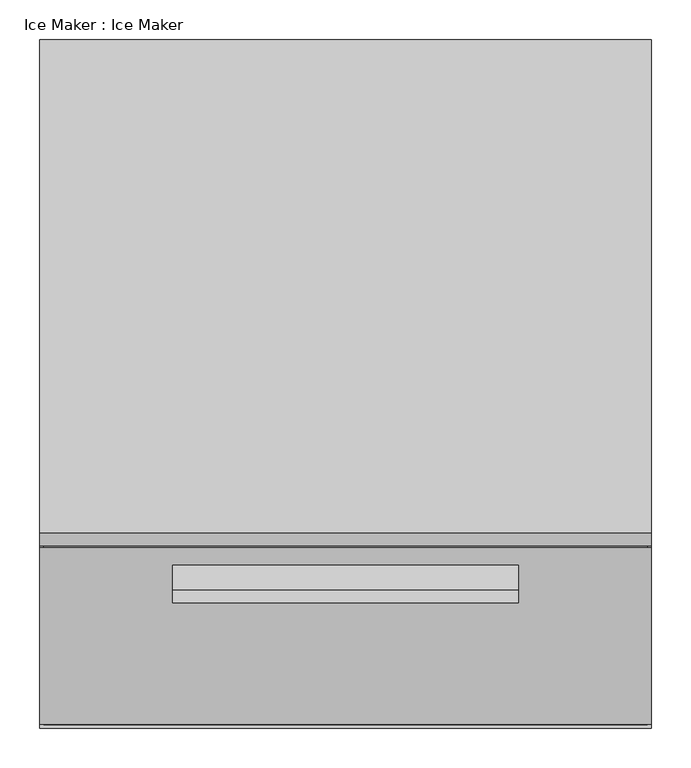
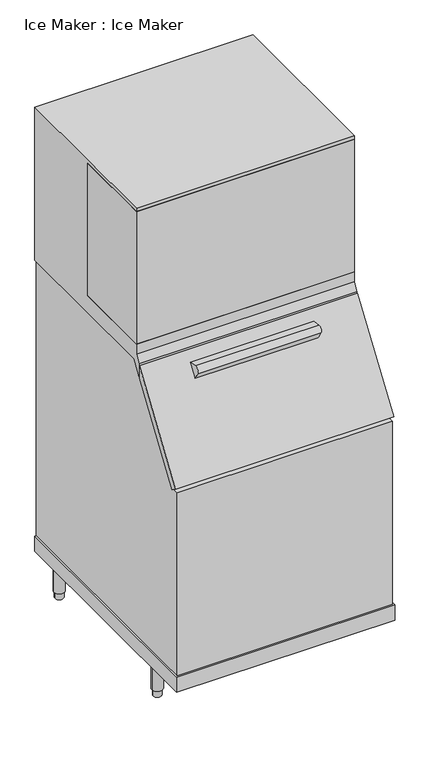
"""IFC4 building model written with IfcOpenShell, lengths in millimetres: proxy geometry, Ice Maker : Ice Maker."""

from ifc_helpers import new_model, si_unit, point, frame, frame_2d, origin, place, context, project, spatial, polyline, circle_curve, trimmed, segment, composite_curve, outline, extrude, faceted_brep, source, transform, mapped, element, save
from ifc_brep_helpers import plane_surface, cylinder_surface, advanced_brep


def ice_maker_ice_maker_585e8420(model_context):
    return source(origin(), model_context, "Body", "SolidModel", [
        extrude(outline(composite_curve([segment(polyline([(-694.4242392, 1207.9599555), (-663.1154835, 1203.1888099), (-692.4049387, 1160.1702339), (-708.3451643, 1187.4697615)]), True, "CONTINUOUS"), segment(trimmed(circle_curve(frame_2d((-696.4920427, 1194.3908128)), 13.7257948), [point((-708.3451643, 1187.4697615))], [point((-694.4242392, 1207.9599555))], False, "CARTESIAN"), True, "CONTINUOUS")], self_intersect=False)), frame((-218.3235427, 0.0, 0.0), z_axis=(1.0, 0.0, 0.0), x_axis=(0.0, 1.0, 0.0)), (0.0, 0.0, 1.0), 436.5625009),
        advanced_brep(
        [(-380.9999997, -864.0681907, 893.9910713), (380.9999952, -864.0681911, 893.9910713), (380.9999952, -841.6651476, 893.9910713), (-380.9999997, -841.6651476, 893.9910713), (380.9999952, 0.0, 209.55), (380.9999952, -864.0681911, 209.55), (-380.9999997, -864.0681907, 209.55), (-380.9999997, 0.0, 209.55), (-380.9999997, 0.0, 1241.4249516), (380.9999952, 0.0, 1241.4249516), (-380.9999997, -638.2780933, 1192.7137213), (-380.9999997, -607.7742757, 1241.4249516), (380.9999952, -607.7742757, 1241.4249516), (380.9999952, -638.2780933, 1192.7137213)],
        [
            (0, 1, circle_curve(frame((0.0, 3279.522776, 893.9910713), z_axis=(0.0, 0.0, 1.0), x_axis=(1.0, 0.0, 0.0)), 4161.0704271)),
            (1, 2),
            (2, 3),
            (3, 0),
            (4, 5),
            (5, 6, circle_curve(frame((0.0, 3279.522776, 209.55), z_axis=(0.0, 0.0, -1.0), x_axis=(1.0, 0.0, 0.0)), 4161.0704271)),
            (6, 7),
            (7, 4),
            (7, 8),
            (8, 9),
            (9, 4),
            (6, 0),
            (3, 10),
            (10, 11),
            (11, 8),
            (5, 1),
            (9, 12),
            (12, 13),
            (13, 2),
            (13, 10),
            (12, 11),
        ],
        [
            plane_surface(frame((-380.9999997, 0.0, 893.9910713), z_axis=(0.0, 0.0, 1.0), x_axis=(-1.0, 0.0, 0.0))),
            plane_surface(frame((-380.9999997, 0.0, 209.55), z_axis=(0.0, 0.0, -1.0), x_axis=(1.0, 0.0, 0.0))),
            plane_surface(frame((380.9999952, 0.0, 893.9910713), z_axis=(0.0, 1.0, 0.0), x_axis=(0.0, 0.0, -1.0))),
            plane_surface(frame((-380.9999997, 0.0, 893.9910713), z_axis=(-1.0, 0.0, 0.0), x_axis=(0.0, 0.0, -1.0))),
            cylinder_surface(frame((0.0, 3279.522776, 209.55), z_axis=(0.0, 0.0, 1.0), x_axis=(1.0, 0.0, 0.0)), 4161.0704271),
            plane_surface(frame((380.9999952, -864.0681911, 893.9910713), z_axis=(1.0, 0.0, 0.0), x_axis=(0.0, 0.0, -1.0))),
            plane_surface(frame((-380.9999997, -841.6651476, 893.9910713), z_axis=(0.0, -0.8265974191949679, 0.5627936625267013), x_axis=(1.0, 0.0, 0.0))),
            plane_surface(frame((-380.9999997, -638.2780933, 1192.7137213), z_axis=(0.0, -0.8475342731256359, 0.5307406672541686), x_axis=(1.0, 0.0, 0.0))),
            plane_surface(frame((-380.9999997, -607.7742757, 1241.4249516), z_axis=(0.0, 0.0, 1.0), x_axis=(1.0, 0.0, 0.0))),
        ],
        [
            (0, [[1, 2, 3, 4]]),
            (1, [[5, 6, 7, 8]]),
            (2, [[-8, 9, 10, 11]]),
            (3, [[-7, 12, -4, 13, 14, 15, -9]]),
            (4, [[-1, -12, -6, 16]]),
            (5, [[-5, -11, 17, 18, 19, -2, -16]]),
            (6, [[-13, -3, -19, 20]]),
            (7, [[-14, -20, -18, 21]]),
            (8, [[-15, -21, -17, -10]]),
        ],
    ),
        faceted_brep([(-386.08, -323.85, 1800.225), (-386.08, -622.3, 1800.225), (386.0799903, -622.3, 1800.225), (386.0799903, -323.85, 1800.225), (-386.08, -323.85, 1304.925), (386.0799903, -323.85, 1304.925), (386.0799903, -622.3, 1304.925), (-386.08, -622.3, 1304.925)], [[[0, 1, 2, 3]], [[4, 5, 6, 7]], [[1, 0, 4, 7]], [[2, 1, 7, 6]], [[3, 2, 6, 5]], [[0, 3, 5, 4]]]),
        advanced_brep(
        [(-349.3527446, -60.1243029, 0.0), (-320.0195696, -60.1243029, 0.0), (319.9398283, -60.1243029, 0.0), (349.2730033, -60.1243029, 0.0), (319.9398283, -661.1887684, 0.0), (349.2730033, -661.1887684, 0.0), (-349.3527446, -661.1887684, 0.0), (-320.0195696, -661.1887684, 0.0), (-320.0195696, -60.1243029, 25.4000008), (-349.3527446, -60.1243029, 25.4000008), (349.2730033, -60.1243029, 25.4000008), (319.9398283, -60.1243029, 25.4000008), (349.2730033, -661.1887684, 25.4000008), (319.9398283, -661.1887684, 25.4000008), (-320.0195696, -661.1887684, 25.4000008), (-349.3527446, -661.1887684, 25.4000008), (-353.7527213, -661.1887684, 25.4000008), (-315.6195929, -661.1887684, 25.4000008), (-353.7527213, -60.1243029, 25.4000008), (-315.6195929, -60.1243029, 25.4000008), (315.5398516, -60.1243029, 25.4000008), (353.67298, -60.1243029, 25.4000008), (315.5398516, -661.1887684, 25.4000008), (353.67298, -661.1887684, 25.4000008), (-315.6195929, -661.1887684, 152.4), (-353.7527213, -661.1887684, 152.4), (-315.6195929, -60.1243029, 152.4), (-353.7527213, -60.1243029, 152.4), (353.67298, -60.1243029, 152.4), (315.5398516, -60.1243029, 152.4), (353.67298, -661.1887684, 152.4), (315.5398516, -661.1887684, 152.4), (386.08, 0.0, 209.55), (-386.08, 0.0, 209.55), (-386.08, -868.68, 209.55), (386.08, -868.68, 209.55), (386.08, 0.0, 152.4), (386.08, -868.68, 152.4), (-386.08, -868.68, 152.4), (-386.08, 0.0, 152.4)],
        [
            (0, 1, circle_curve(frame((-334.6861571, -60.1243029, 0.0), z_axis=(0.0, 0.0, -1.0), x_axis=(1.0, 0.0, 0.0)), 14.6665875)),
            (1, 0, circle_curve(frame((-334.6861571, -60.1243029, 0.0), z_axis=(0.0, 0.0, -1.0), x_axis=(1.0, 0.0, 0.0)), 14.6665875)),
            (2, 3, circle_curve(frame((334.6064158, -60.1243029, 0.0), z_axis=(0.0, 0.0, -1.0), x_axis=(1.0, 0.0, 0.0)), 14.6665875)),
            (3, 2, circle_curve(frame((334.6064158, -60.1243029, 0.0), z_axis=(0.0, 0.0, -1.0), x_axis=(1.0, 0.0, 0.0)), 14.6665875)),
            (4, 5, circle_curve(frame((334.6064158, -661.1887684, 0.0), z_axis=(0.0, 0.0, -1.0), x_axis=(1.0, 0.0, 0.0)), 14.6665875)),
            (5, 4, circle_curve(frame((334.6064158, -661.1887684, 0.0), z_axis=(0.0, 0.0, -1.0), x_axis=(1.0, 0.0, 0.0)), 14.6665875)),
            (6, 7, circle_curve(frame((-334.6861571, -661.1887684, 0.0), z_axis=(0.0, 0.0, -1.0), x_axis=(1.0, 0.0, 0.0)), 14.6665875)),
            (7, 6, circle_curve(frame((-334.6861571, -661.1887684, 0.0), z_axis=(0.0, 0.0, -1.0), x_axis=(1.0, 0.0, 0.0)), 14.6665875)),
            (1, 8),
            (8, 9, circle_curve(frame((-334.6861571, -60.1243029, 25.4000008), z_axis=(0.0, 0.0, -1.0), x_axis=(1.0, 0.0, 0.0)), 14.6665875)),
            (9, 0),
            (9, 8, circle_curve(frame((-334.6861571, -60.1243029, 25.4000008), z_axis=(0.0, 0.0, -1.0), x_axis=(1.0, 0.0, 0.0)), 14.6665875)),
            (3, 10),
            (10, 11, circle_curve(frame((334.6064158, -60.1243029, 25.4000008), z_axis=(0.0, 0.0, -1.0), x_axis=(1.0, 0.0, 0.0)), 14.6665875)),
            (11, 2),
            (11, 10, circle_curve(frame((334.6064158, -60.1243029, 25.4000008), z_axis=(0.0, 0.0, -1.0), x_axis=(1.0, 0.0, 0.0)), 14.6665875)),
            (5, 12),
            (12, 13, circle_curve(frame((334.6064158, -661.1887684, 25.4000008), z_axis=(0.0, 0.0, -1.0), x_axis=(1.0, 0.0, 0.0)), 14.6665875)),
            (13, 4),
            (13, 12, circle_curve(frame((334.6064158, -661.1887684, 25.4000008), z_axis=(0.0, 0.0, -1.0), x_axis=(1.0, 0.0, 0.0)), 14.6665875)),
            (7, 14),
            (14, 15, circle_curve(frame((-334.6861571, -661.1887684, 25.4000008), z_axis=(0.0, 0.0, -1.0), x_axis=(1.0, 0.0, 0.0)), 14.6665875)),
            (15, 6),
            (15, 14, circle_curve(frame((-334.6861571, -661.1887684, 25.4000008), z_axis=(0.0, 0.0, -1.0), x_axis=(1.0, 0.0, 0.0)), 14.6665875)),
            (16, 17, circle_curve(frame((-334.6861571, -661.1887684, 25.4000008), z_axis=(0.0, 0.0, -1.0), x_axis=(1.0, 0.0, 0.0)), 19.0665642)),
            (17, 16, circle_curve(frame((-334.6861571, -661.1887684, 25.4000008), z_axis=(0.0, 0.0, -1.0), x_axis=(1.0, 0.0, 0.0)), 19.0665642)),
            (18, 19, circle_curve(frame((-334.6861571, -60.1243029, 25.4000008), z_axis=(0.0, 0.0, -1.0), x_axis=(1.0, 0.0, 0.0)), 19.0665642)),
            (19, 18, circle_curve(frame((-334.6861571, -60.1243029, 25.4000008), z_axis=(0.0, 0.0, -1.0), x_axis=(1.0, 0.0, 0.0)), 19.0665642)),
            (20, 21, circle_curve(frame((334.6064158, -60.1243029, 25.4000008), z_axis=(0.0, 0.0, -1.0), x_axis=(1.0, 0.0, 0.0)), 19.0665642)),
            (21, 20, circle_curve(frame((334.6064158, -60.1243029, 25.4000008), z_axis=(0.0, 0.0, -1.0), x_axis=(1.0, 0.0, 0.0)), 19.0665642)),
            (22, 23, circle_curve(frame((334.6064158, -661.1887684, 25.4000008), z_axis=(0.0, 0.0, -1.0), x_axis=(1.0, 0.0, 0.0)), 19.0665642)),
            (23, 22, circle_curve(frame((334.6064158, -661.1887684, 25.4000008), z_axis=(0.0, 0.0, -1.0), x_axis=(1.0, 0.0, 0.0)), 19.0665642)),
            (17, 24),
            (24, 25, circle_curve(frame((-334.6861571, -661.1887684, 152.4), z_axis=(0.0, 0.0, -1.0), x_axis=(1.0, 0.0, 0.0)), 19.0665642)),
            (25, 16),
            (25, 24, circle_curve(frame((-334.6861571, -661.1887684, 152.4), z_axis=(0.0, 0.0, -1.0), x_axis=(1.0, 0.0, 0.0)), 19.0665642)),
            (19, 26),
            (26, 27, circle_curve(frame((-334.6861571, -60.1243029, 152.4), z_axis=(0.0, 0.0, -1.0), x_axis=(1.0, 0.0, 0.0)), 19.0665642)),
            (27, 18),
            (27, 26, circle_curve(frame((-334.6861571, -60.1243029, 152.4), z_axis=(0.0, 0.0, -1.0), x_axis=(1.0, 0.0, 0.0)), 19.0665642)),
            (21, 28),
            (28, 29, circle_curve(frame((334.6064158, -60.1243029, 152.4), z_axis=(0.0, 0.0, -1.0), x_axis=(1.0, 0.0, 0.0)), 19.0665642)),
            (29, 20),
            (29, 28, circle_curve(frame((334.6064158, -60.1243029, 152.4), z_axis=(0.0, 0.0, -1.0), x_axis=(1.0, 0.0, 0.0)), 19.0665642)),
            (23, 30),
            (30, 31, circle_curve(frame((334.6064158, -661.1887684, 152.4), z_axis=(0.0, 0.0, -1.0), x_axis=(1.0, 0.0, 0.0)), 19.0665642)),
            (31, 22),
            (31, 30, circle_curve(frame((334.6064158, -661.1887684, 152.4), z_axis=(0.0, 0.0, -1.0), x_axis=(1.0, 0.0, 0.0)), 19.0665642)),
            (32, 33),
            (33, 34),
            (34, 35, circle_curve(frame((0.0, 3279.522776, 209.55), z_axis=(0.0, 0.0, 1.0), x_axis=(1.0, 0.0, 0.0)), 4166.1305833)),
            (35, 32),
            (36, 37),
            (37, 38, circle_curve(frame((0.0, 3279.522776, 152.4), z_axis=(0.0, 0.0, -1.0), x_axis=(1.0, 0.0, 0.0)), 4166.1305833)),
            (38, 39),
            (39, 36),
            (32, 36),
            (39, 33),
            (38, 34),
            (37, 35),
        ],
        [
            plane_surface(frame((-320.0195696, -60.1243029, 0.0), z_axis=(0.0, 0.0, -1.0), x_axis=(0.0, -1.0, 0.0))),
            cylinder_surface(frame((-334.6861571, -60.1243029, 0.0), z_axis=(0.0, 0.0, 1.0), x_axis=(1.0, 0.0, 0.0)), 14.6665875),
            cylinder_surface(frame((334.6064158, -60.1243029, 0.0), z_axis=(0.0, 0.0, 1.0), x_axis=(1.0, 0.0, 0.0)), 14.6665875),
            cylinder_surface(frame((334.6064158, -661.1887684, 0.0), z_axis=(0.0, 0.0, 1.0), x_axis=(1.0, 0.0, 0.0)), 14.6665875),
            cylinder_surface(frame((-334.6861571, -661.1887684, 0.0), z_axis=(0.0, 0.0, 1.0), x_axis=(1.0, 0.0, 0.0)), 14.6665875),
            plane_surface(frame((-315.6195929, -661.1887684, 25.4000008), z_axis=(0.0, 0.0, -1.0), x_axis=(0.0, -1.0, 0.0))),
            cylinder_surface(frame((-334.6861571, -661.1887684, 25.4000008), z_axis=(0.0, 0.0, 1.0), x_axis=(1.0, 0.0, 0.0)), 19.0665642),
            cylinder_surface(frame((-334.6861571, -60.1243029, 0.0), z_axis=(0.0, 0.0, 1.0), x_axis=(1.0, 0.0, 0.0)), 19.0665642),
            cylinder_surface(frame((334.6064158, -60.1243029, 0.0), z_axis=(0.0, 0.0, 1.0), x_axis=(1.0, 0.0, 0.0)), 19.0665642),
            cylinder_surface(frame((334.6064158, -661.1887684, 0.0), z_axis=(0.0, 0.0, 1.0), x_axis=(1.0, 0.0, 0.0)), 19.0665642),
            plane_surface(frame((-380.9999997, 0.0, 209.55), z_axis=(0.0, 0.0, 1.0), x_axis=(-1.0, 0.0, 0.0))),
            plane_surface(frame((-380.9999997, 0.0, 152.4), z_axis=(0.0, 0.0, -1.0), x_axis=(1.0, 0.0, 0.0))),
            plane_surface(frame((386.08, 0.0, 209.55), z_axis=(0.0, 1.0, 0.0), x_axis=(0.0, 0.0, -1.0))),
            plane_surface(frame((-386.08, 0.0, 209.55), z_axis=(-1.0, 0.0, 0.0), x_axis=(0.0, 0.0, -1.0))),
            cylinder_surface(frame((0.0, 3279.522776, 152.4), z_axis=(0.0, 0.0, 1.0), x_axis=(1.0, 0.0, 0.0)), 4166.1305833),
            plane_surface(frame((386.08, -868.68, 209.55), z_axis=(1.0, 0.0, 0.0), x_axis=(0.0, 0.0, -1.0))),
        ],
        [
            (0, [[1, 2]]),
            (0, [[3, 4]]),
            (0, [[5, 6]]),
            (0, [[7, 8]]),
            (1, [[-2, 9, 10, 11]]),
            (1, [[-1, -11, 12, -9]]),
            (2, [[-4, 13, 14, 15]]),
            (2, [[-3, -15, 16, -13]]),
            (3, [[-6, 17, 18, 19]]),
            (3, [[-5, -19, 20, -17]]),
            (4, [[-8, 21, 22, 23]]),
            (4, [[-7, -23, 24, -21]]),
            (5, [[25, 26], [-22, -24]]),
            (5, [[27, 28], [-10, -12]]),
            (5, [[29, 30], [-14, -16]]),
            (5, [[31, 32], [-18, -20]]),
            (6, [[-26, 33, 34, 35]]),
            (6, [[-25, -35, 36, -33]]),
            (7, [[-28, 37, 38, 39]]),
            (7, [[-27, -39, 40, -37]]),
            (8, [[-30, 41, 42, 43]]),
            (8, [[-29, -43, 44, -41]]),
            (9, [[-32, 45, 46, 47]]),
            (9, [[-31, -47, 48, -45]]),
            (10, [[49, 50, 51, 52]]),
            (11, [[53, 54, 55, 56], [-34, -36], [-38, -40], [-42, -44], [-46, -48]]),
            (12, [[-49, 57, -56, 58]]),
            (13, [[-50, -58, -55, 59]]),
            (14, [[-51, -59, -54, 60]]),
            (15, [[-52, -60, -53, -57]]),
        ],
    ),
        faceted_brep([(-386.08, -841.6651476, 893.9910713), (-386.08, -863.5999923, 908.729319), (-386.08, -640.7951889, 1235.9715054), (-386.08, -640.7951889, 1189.0167629), (386.0799903, -841.6651476, 893.9910713), (386.0799903, -640.7951889, 1189.0167629), (386.0799903, -640.7951889, 1235.9715054), (386.0799903, -863.5999923, 908.729319)], [[[0, 1, 2, 3]], [[4, 5, 6, 7]], [[1, 0, 4, 7]], [[2, 1, 7, 6]], [[3, 2, 6, 5]], [[0, 3, 5, 4]]]),
        faceted_brep([(-386.08, 0.0, 1241.4249516), (-386.08, -607.7742757, 1241.4249516), (-386.08, -638.2781187, 1192.7136806), (-386.08, -638.2781187, 1240.1705493), (-386.08, -622.3, 1266.825), (-386.08, -622.3, 1304.925), (-386.08, -323.85, 1304.925), (-386.08, -323.85, 1800.225), (-386.08, -622.3, 1800.225), (-386.08, -622.3, 1812.9249516), (-386.08, 0.0, 1812.9249516), (386.0799903, -622.3, 1266.825), (386.0799903, -638.2781187, 1240.1705493), (386.0799903, -638.2781187, 1192.7136806), (386.0799903, -607.7742757, 1241.4249516), (386.0799903, 0.0, 1241.4249516), (386.0799903, 0.0, 1812.9249516), (386.0799903, -622.3, 1812.9249516), (386.0799903, -622.3, 1800.225), (386.0799903, -323.85, 1800.225), (386.0799903, -323.85, 1304.925), (386.0799903, -622.3, 1304.925)], [[[0, 1, 2, 3, 4, 5, 6, 7, 8, 9, 10]], [[11, 12, 13, 14, 15, 16, 17, 18, 19, 20, 21]], [[15, 0, 10, 16]], [[1, 0, 15, 14]], [[2, 1, 14, 13]], [[3, 2, 13, 12]], [[4, 3, 12, 11]], [[5, 21, 20, 6]], [[21, 5, 4, 11]], [[17, 16, 10, 9]], [[6, 20, 19, 7]], [[19, 18, 8, 7]], [[17, 9, 8, 18]]]),
    ])


if __name__ == "__main__":
    model = new_model("IFC4")
    model_context = context("Model", 3, world=origin())
    ifc_project = project(units=[si_unit("LENGTHUNIT", "METRE", prefix="MILLI")], contexts=[model_context])
    site = spatial("IfcSite", under=ifc_project)
    building = spatial("IfcBuilding", under=site)
    placement = place(None, origin())
    ice_maker_ice_maker_shape = ice_maker_ice_maker_585e8420(model_context)
    element("IfcBuildingElementProxy", 1, Name="Ice Maker : Ice Maker", ObjectType="Ice Maker : Ice Maker", at=placement, inside=building, context=model_context, shape_type="MappedRepresentation", body=[
        mapped(ice_maker_ice_maker_shape, transform((0.0, 0.0, 0.0), x_axis=(1.0, 0.0, 0.0), y_axis=(0.0, 1.0, 0.0), z_axis=(0.0, 0.0, 1.0))),
    ])
    save(model, "model.ifc")
